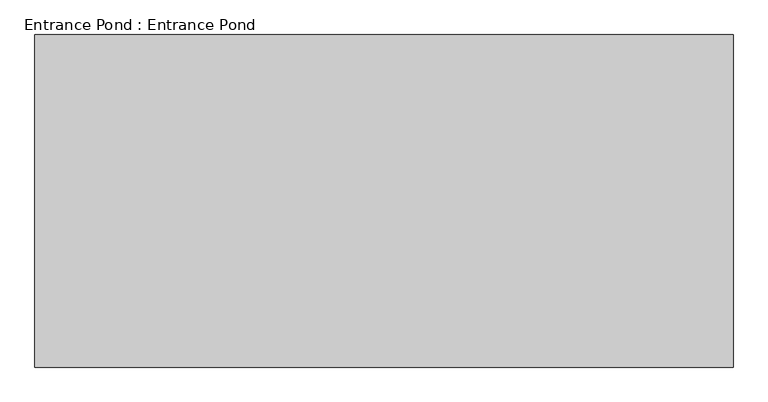
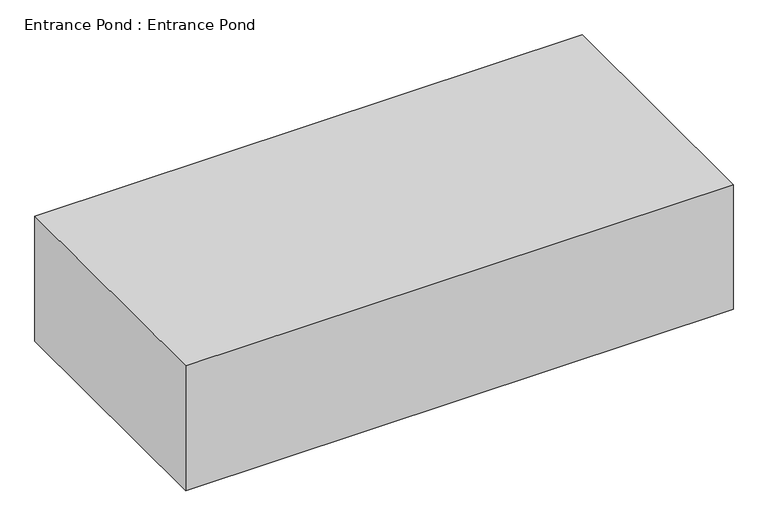
"""IFC4 building model written with IfcOpenShell, lengths in millimetres: proxy geometry, Entrance Pond : Entrance Pond."""

from ifc_helpers import new_model, si_unit, frame, origin, place, context, project, spatial, polyline, outline, extrude, source, transform, mapped, element, save


def entrance_pond_entrance_pond_4b6d51b8(model_context):
    return source(origin(), model_context, "Body", "SweptSolid", [
        extrude(outline(polyline([(104416.8107289, -36444.6602043), (104416.8107289, -35225.9230841), (106975.1852312, -35225.9230841), (106975.1852312, -36444.6602043), (104416.8107289, -36444.6602043)])), frame((0.0, 0.0, 67200.0), z_axis=(0.0, 0.0, 1.0), x_axis=(1.0, 0.0, 0.0)), (0.0, 0.0, 1.0), 616.7342484),
    ])


if __name__ == "__main__":
    model = new_model("IFC4")
    model_context = context("Model", 3, world=origin())
    ifc_project = project(units=[si_unit("LENGTHUNIT", "METRE", prefix="MILLI")], contexts=[model_context])
    site = spatial("IfcSite", under=ifc_project)
    building = spatial("IfcBuilding", under=site)
    placement = place(None, origin())
    entrance_pond_entrance_pond_shape = entrance_pond_entrance_pond_4b6d51b8(model_context)
    element("IfcBuildingElementProxy", 1, Name="Entrance Pond : Entrance Pond", ObjectType="Entrance Pond : Entrance Pond", at=placement, inside=building, context=model_context, shape_type="MappedRepresentation", body=[
        mapped(entrance_pond_entrance_pond_shape, transform((0.0, 0.0, 0.0), x_axis=(1.0, 0.0, 0.0), y_axis=(0.0, 1.0, 0.0), z_axis=(0.0, 0.0, 1.0))),
    ])
    save(model, "model.ifc")
